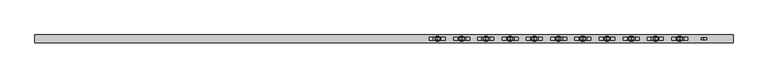
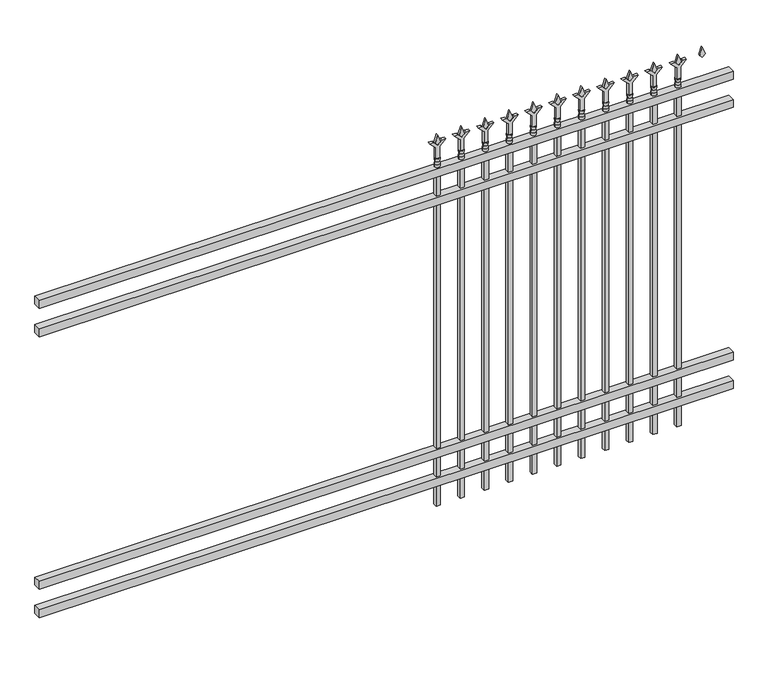
"""IFC4 building model written with IfcOpenShell, lengths in millimetres: railing geometry."""

from ifc_helpers import new_model, si_unit, frame, origin, place, context, project, spatial, polyline, circle_curve, outline, extrude, source, transform, mapped, element, save
from ifc_brep_helpers import plane_surface, cylinder_surface, revolved_surface, advanced_brep


def railing_22d15fbc(model_context):
    return source(origin(), model_context, "Body", "SolidModel", [
        extrude(outline(polyline([(-67441.318087, -6748.7195174), (-67441.318087, -6713.7945174), (-64291.718087, -6713.7945174), (-64291.718087, -6748.7195174), (-67441.318087, -6748.7195174)])), frame((0.0, 0.0, 1638.3), z_axis=(0.0, 0.0, 1.0), x_axis=(1.0, 0.0, 0.0)), (0.0, 0.0, 1.0), 38.1),
        extrude(outline(polyline([(-67441.318087, -6748.7195174), (-67441.318087, -6713.7945174), (-64291.718087, -6713.7945174), (-64291.718087, -6748.7195174), (-67441.318087, -6748.7195174)])), frame((0.0, 0.0, 1501.775), z_axis=(0.0, 0.0, 1.0), x_axis=(1.0, 0.0, 0.0)), (0.0, 0.0, 1.0), 38.1),
        extrude(outline(polyline([(-67441.318087, -6748.7195174), (-67441.318087, -6713.7945174), (-64291.718087, -6713.7945174), (-64291.718087, -6748.7195174), (-67441.318087, -6748.7195174)])), frame((0.0, 0.0, 288.925), z_axis=(0.0, 0.0, 1.0), x_axis=(1.0, 0.0, 0.0)), (0.0, 0.0, 1.0), 38.1),
        extrude(outline(polyline([(-67441.318087, -6748.7195174), (-67441.318087, -6713.7945174), (-64291.718087, -6713.7945174), (-64291.718087, -6748.7195174), (-67441.318087, -6748.7195174)])), frame((0.0, 0.0, 152.4), z_axis=(0.0, 0.0, 1.0), x_axis=(1.0, 0.0, 0.0)), (0.0, 0.0, 1.0), 38.1),
        extrude(outline(polyline([(1793.08125, -64520.8472536), (1828.8, -64532.7535036), (1793.08125, -64544.6597536), (1781.175, -64532.7535036), (1793.08125, -64520.8472536)])), frame((0.0, -6736.0195174, 0.0), z_axis=(0.0, 1.0, 0.0), x_axis=(0.0, 0.0, 1.0)), (0.0, 0.0, 1.0), 9.525),
        extrude(outline(polyline([(1717.675, -64524.0222536), (1771.9457378, -64524.0222536), (1799.1355122, -64496.8324791), (1799.1355122, -64514.7929914), (1781.175, -64532.7535036), (1799.1355122, -64550.7140159), (1799.1355122, -64568.6745281), (1771.9457378, -64541.4847536), (1717.675, -64541.4847536), (1717.675, -64524.0222536)])), frame((0.0, -6737.6070174, 0.0), z_axis=(0.0, 1.0, 0.0), x_axis=(0.0, 0.0, 1.0)), (0.0, 0.0, 1.0), 12.7),
        advanced_brep(
        [(-64520.8472536, -6731.2570174, 1689.1), (-64544.6597536, -6731.2570174, 1689.1), (-64544.6597536, -6731.2570174, 1676.4), (-64520.8472536, -6731.2570174, 1676.4), (-64523.0525855, -6731.2570174, 1701.6070585), (-64542.4544218, -6731.2570174, 1701.6070585), (-64520.8472536, -6731.2570174, 1717.675), (-64544.6597536, -6731.2570174, 1717.675), (-64532.7535036, -6731.2570174, 1717.675), (-64532.7535036, -6731.2570174, 1676.4)],
        [
            (0, 1, circle_curve(frame((-64532.7535036, -6731.2570174, 1689.1), z_axis=(0.0, 0.0, -1.0), x_axis=(-1.0, 0.0, 0.0)), 11.90625)),
            (1, 2),
            (2, 3, circle_curve(frame((-64532.7535036, -6731.2570174, 1676.4), z_axis=(0.0, 0.0, 1.0), x_axis=(-1.0, 0.0, 0.0)), 11.90625)),
            (3, 0),
            (1, 0, circle_curve(frame((-64532.7535036, -6731.2570174, 1689.1), z_axis=(0.0, 0.0, -1.0), x_axis=(-1.0, 0.0, 0.0)), 11.90625)),
            (3, 2, circle_curve(frame((-64532.7535036, -6731.2570174, 1676.4), z_axis=(0.0, 0.0, 1.0), x_axis=(-1.0, 0.0, 0.0)), 11.90625)),
            (4, 5, circle_curve(frame((-64532.7535036, -6731.2570174, 1701.6070585), z_axis=(0.0, 0.0, -1.0), x_axis=(-1.0, 0.0, 0.0)), 9.7009181)),
            (5, 1),
            (0, 4),
            (5, 4, circle_curve(frame((-64532.7535036, -6731.2570174, 1701.6070585), z_axis=(0.0, 0.0, -1.0), x_axis=(-1.0, 0.0, 0.0)), 9.7009181)),
            (6, 7, circle_curve(frame((-64532.7535036, -6731.2570174, 1717.675), z_axis=(0.0, 0.0, -1.0), x_axis=(-1.0, 0.0, 0.0)), 11.90625)),
            (7, 5),
            (4, 6),
            (7, 6, circle_curve(frame((-64532.7535036, -6731.2570174, 1717.675), z_axis=(0.0, 0.0, -1.0), x_axis=(-1.0, 0.0, 0.0)), 11.90625)),
            (8, 7),
            (6, 8),
            (2, 9),
            (9, 3),
        ],
        [
            cylinder_surface(frame((-64532.7535036, -6731.2570174, 1676.4), z_axis=(0.0, 0.0, 1.0), x_axis=(-1.0, 0.0, 0.0)), 11.90625),
            revolved_surface(polyline([(-64544.6597536, -6731.2570174, 1689.1), (-64542.4544218, -6731.2570174, 1701.6070585)]), (-64532.7535036, -6731.2570174, 1676.4), (0.0, 0.0, 1.0)),
            revolved_surface(polyline([(-64542.4544218, -6731.2570174, 1701.6070585), (-64544.6597536, -6731.2570174, 1717.675)]), (-64532.7535036, -6731.2570174, 1676.4), (0.0, 0.0, 1.0)),
            plane_surface(frame((-64532.7535036, -6731.2570174, 1717.675), z_axis=(0.0, 0.0, 1.0), x_axis=(-1.0, 0.0, 0.0))),
            plane_surface(frame((-64532.7535036, -6731.2570174, 1676.4), z_axis=(0.0, 0.0, -1.0), x_axis=(-1.0, 0.0, 0.0))),
        ],
        [
            (0, [[1, 2, 3, 4]]),
            (0, [[5, -4, 6, -2]]),
            (1, [[7, 8, -1, 9]]),
            (1, [[10, -9, -5, -8]]),
            (2, [[11, 12, -7, 13]]),
            (2, [[14, -13, -10, -12]]),
            (3, [[15, -11, 16]]),
            (3, [[-16, -14, -15]]),
            (4, [[-3, 17, 18]]),
            (4, [[-6, -18, -17]]),
        ],
    ),
        extrude(outline(polyline([(-64542.2785036, -6721.7320174), (-64523.2285036, -6721.7320174), (-64523.2285036, -6740.7820174), (-64542.2785036, -6740.7820174), (-64542.2785036, -6721.7320174)])), frame((0.0, 0.0, 50.8), z_axis=(0.0, 0.0, 1.0), x_axis=(1.0, 0.0, 0.0)), (0.0, 0.0, 1.0), 1625.6),
        extrude(outline(polyline([(1793.08125, -64630.1201703), (1828.8, -64642.0264203), (1793.08125, -64653.9326703), (1781.175, -64642.0264203), (1793.08125, -64630.1201703)])), frame((0.0, -6736.0195174, 0.0), z_axis=(0.0, 1.0, 0.0), x_axis=(0.0, 0.0, 1.0)), (0.0, 0.0, 1.0), 9.525),
        extrude(outline(polyline([(1717.675, -64633.2951703), (1771.9457378, -64633.2951703), (1799.1355122, -64606.1053958), (1799.1355122, -64624.0659081), (1781.175, -64642.0264203), (1799.1355122, -64659.9869325), (1799.1355122, -64677.9474448), (1771.9457378, -64650.7576703), (1717.675, -64650.7576703), (1717.675, -64633.2951703)])), frame((0.0, -6737.6070174, 0.0), z_axis=(0.0, 1.0, 0.0), x_axis=(0.0, 0.0, 1.0)), (0.0, 0.0, 1.0), 12.7),
        advanced_brep(
        [(-64630.1201703, -6731.2570174, 1689.1), (-64653.9326703, -6731.2570174, 1689.1), (-64653.9326703, -6731.2570174, 1676.4), (-64630.1201703, -6731.2570174, 1676.4), (-64632.3255022, -6731.2570174, 1701.6070585), (-64651.7273384, -6731.2570174, 1701.6070585), (-64630.1201703, -6731.2570174, 1717.675), (-64653.9326703, -6731.2570174, 1717.675), (-64642.0264203, -6731.2570174, 1717.675), (-64642.0264203, -6731.2570174, 1676.4)],
        [
            (0, 1, circle_curve(frame((-64642.0264203, -6731.2570174, 1689.1), z_axis=(0.0, 0.0, -1.0), x_axis=(-1.0, 0.0, 0.0)), 11.90625)),
            (1, 2),
            (2, 3, circle_curve(frame((-64642.0264203, -6731.2570174, 1676.4), z_axis=(0.0, 0.0, 1.0), x_axis=(-1.0, 0.0, 0.0)), 11.90625)),
            (3, 0),
            (1, 0, circle_curve(frame((-64642.0264203, -6731.2570174, 1689.1), z_axis=(0.0, 0.0, -1.0), x_axis=(-1.0, 0.0, 0.0)), 11.90625)),
            (3, 2, circle_curve(frame((-64642.0264203, -6731.2570174, 1676.4), z_axis=(0.0, 0.0, 1.0), x_axis=(-1.0, 0.0, 0.0)), 11.90625)),
            (4, 5, circle_curve(frame((-64642.0264203, -6731.2570174, 1701.6070585), z_axis=(0.0, 0.0, -1.0), x_axis=(-1.0, 0.0, 0.0)), 9.7009181)),
            (5, 1),
            (0, 4),
            (5, 4, circle_curve(frame((-64642.0264203, -6731.2570174, 1701.6070585), z_axis=(0.0, 0.0, -1.0), x_axis=(-1.0, 0.0, 0.0)), 9.7009181)),
            (6, 7, circle_curve(frame((-64642.0264203, -6731.2570174, 1717.675), z_axis=(0.0, 0.0, -1.0), x_axis=(-1.0, 0.0, 0.0)), 11.90625)),
            (7, 5),
            (4, 6),
            (7, 6, circle_curve(frame((-64642.0264203, -6731.2570174, 1717.675), z_axis=(0.0, 0.0, -1.0), x_axis=(-1.0, 0.0, 0.0)), 11.90625)),
            (8, 7),
            (6, 8),
            (2, 9),
            (9, 3),
        ],
        [
            cylinder_surface(frame((-64642.0264203, -6731.2570174, 1676.4), z_axis=(0.0, 0.0, 1.0), x_axis=(-1.0, 0.0, 0.0)), 11.90625),
            revolved_surface(polyline([(-64653.9326703, -6731.2570174, 1689.1), (-64651.7273384, -6731.2570174, 1701.6070585)]), (-64642.0264203, -6731.2570174, 1676.4), (0.0, 0.0, 1.0)),
            revolved_surface(polyline([(-64651.7273384, -6731.2570174, 1701.6070585), (-64653.9326703, -6731.2570174, 1717.675)]), (-64642.0264203, -6731.2570174, 1676.4), (0.0, 0.0, 1.0)),
            plane_surface(frame((-64642.0264203, -6731.2570174, 1717.675), z_axis=(0.0, 0.0, 1.0), x_axis=(-1.0, 0.0, 0.0))),
            plane_surface(frame((-64642.0264203, -6731.2570174, 1676.4), z_axis=(0.0, 0.0, -1.0), x_axis=(-1.0, 0.0, 0.0))),
        ],
        [
            (0, [[1, 2, 3, 4]]),
            (0, [[5, -4, 6, -2]]),
            (1, [[7, 8, -1, 9]]),
            (1, [[10, -9, -5, -8]]),
            (2, [[11, 12, -7, 13]]),
            (2, [[14, -13, -10, -12]]),
            (3, [[15, -11, 16]]),
            (3, [[-16, -14, -15]]),
            (4, [[-3, 17, 18]]),
            (4, [[-6, -18, -17]]),
        ],
    ),
        extrude(outline(polyline([(-64651.5514203, -6721.7320174), (-64632.5014203, -6721.7320174), (-64632.5014203, -6740.7820174), (-64651.5514203, -6740.7820174), (-64651.5514203, -6721.7320174)])), frame((0.0, 0.0, 50.8), z_axis=(0.0, 0.0, 1.0), x_axis=(1.0, 0.0, 0.0)), (0.0, 0.0, 1.0), 1625.6),
        extrude(outline(polyline([(1793.08125, -64739.393087), (1828.8, -64751.299337), (1793.08125, -64763.205587), (1781.175, -64751.299337), (1793.08125, -64739.393087)])), frame((0.0, -6736.0195174, 0.0), z_axis=(0.0, 1.0, 0.0), x_axis=(0.0, 0.0, 1.0)), (0.0, 0.0, 1.0), 9.525),
        extrude(outline(polyline([(1717.675, -64742.568087), (1771.9457378, -64742.568087), (1799.1355122, -64715.3783125), (1799.1355122, -64733.3388247), (1781.175, -64751.299337), (1799.1355122, -64769.2598492), (1799.1355122, -64787.2203614), (1771.9457378, -64760.030587), (1717.675, -64760.030587), (1717.675, -64742.568087)])), frame((0.0, -6737.6070174, 0.0), z_axis=(0.0, 1.0, 0.0), x_axis=(0.0, 0.0, 1.0)), (0.0, 0.0, 1.0), 12.7),
        advanced_brep(
        [(-64739.393087, -6731.2570174, 1689.1), (-64763.205587, -6731.2570174, 1689.1), (-64763.205587, -6731.2570174, 1676.4), (-64739.393087, -6731.2570174, 1676.4), (-64741.5984188, -6731.2570174, 1701.6070585), (-64761.0002551, -6731.2570174, 1701.6070585), (-64739.393087, -6731.2570174, 1717.675), (-64763.205587, -6731.2570174, 1717.675), (-64751.299337, -6731.2570174, 1717.675), (-64751.299337, -6731.2570174, 1676.4)],
        [
            (0, 1, circle_curve(frame((-64751.299337, -6731.2570174, 1689.1), z_axis=(0.0, 0.0, -1.0), x_axis=(-1.0, 0.0, 0.0)), 11.90625)),
            (1, 2),
            (2, 3, circle_curve(frame((-64751.299337, -6731.2570174, 1676.4), z_axis=(0.0, 0.0, 1.0), x_axis=(-1.0, 0.0, 0.0)), 11.90625)),
            (3, 0),
            (1, 0, circle_curve(frame((-64751.299337, -6731.2570174, 1689.1), z_axis=(0.0, 0.0, -1.0), x_axis=(-1.0, 0.0, 0.0)), 11.90625)),
            (3, 2, circle_curve(frame((-64751.299337, -6731.2570174, 1676.4), z_axis=(0.0, 0.0, 1.0), x_axis=(-1.0, 0.0, 0.0)), 11.90625)),
            (4, 5, circle_curve(frame((-64751.299337, -6731.2570174, 1701.6070585), z_axis=(0.0, 0.0, -1.0), x_axis=(-1.0, 0.0, 0.0)), 9.7009181)),
            (5, 1),
            (0, 4),
            (5, 4, circle_curve(frame((-64751.299337, -6731.2570174, 1701.6070585), z_axis=(0.0, 0.0, -1.0), x_axis=(-1.0, 0.0, 0.0)), 9.7009181)),
            (6, 7, circle_curve(frame((-64751.299337, -6731.2570174, 1717.675), z_axis=(0.0, 0.0, -1.0), x_axis=(-1.0, 0.0, 0.0)), 11.90625)),
            (7, 5),
            (4, 6),
            (7, 6, circle_curve(frame((-64751.299337, -6731.2570174, 1717.675), z_axis=(0.0, 0.0, -1.0), x_axis=(-1.0, 0.0, 0.0)), 11.90625)),
            (8, 7),
            (6, 8),
            (2, 9),
            (9, 3),
        ],
        [
            cylinder_surface(frame((-64751.299337, -6731.2570174, 1676.4), z_axis=(0.0, 0.0, 1.0), x_axis=(-1.0, 0.0, 0.0)), 11.90625),
            revolved_surface(polyline([(-64763.205587, -6731.2570174, 1689.1), (-64761.0002551, -6731.2570174, 1701.6070585)]), (-64751.299337, -6731.2570174, 1676.4), (0.0, 0.0, 1.0)),
            revolved_surface(polyline([(-64761.0002551, -6731.2570174, 1701.6070585), (-64763.205587, -6731.2570174, 1717.675)]), (-64751.299337, -6731.2570174, 1676.4), (0.0, 0.0, 1.0)),
            plane_surface(frame((-64751.299337, -6731.2570174, 1717.675), z_axis=(0.0, 0.0, 1.0), x_axis=(-1.0, 0.0, 0.0))),
            plane_surface(frame((-64751.299337, -6731.2570174, 1676.4), z_axis=(0.0, 0.0, -1.0), x_axis=(-1.0, 0.0, 0.0))),
        ],
        [
            (0, [[1, 2, 3, 4]]),
            (0, [[5, -4, 6, -2]]),
            (1, [[7, 8, -1, 9]]),
            (1, [[10, -9, -5, -8]]),
            (2, [[11, 12, -7, 13]]),
            (2, [[14, -13, -10, -12]]),
            (3, [[15, -11, 16]]),
            (3, [[-16, -14, -15]]),
            (4, [[-3, 17, 18]]),
            (4, [[-6, -18, -17]]),
        ],
    ),
        extrude(outline(polyline([(-64760.824337, -6721.7320174), (-64741.774337, -6721.7320174), (-64741.774337, -6740.7820174), (-64760.824337, -6740.7820174), (-64760.824337, -6721.7320174)])), frame((0.0, 0.0, 50.8), z_axis=(0.0, 0.0, 1.0), x_axis=(1.0, 0.0, 0.0)), (0.0, 0.0, 1.0), 1625.6),
        extrude(outline(polyline([(1793.08125, -64848.6660036), (1828.8, -64860.5722536), (1793.08125, -64872.4785036), (1781.175, -64860.5722536), (1793.08125, -64848.6660036)])), frame((0.0, -6736.0195174, 0.0), z_axis=(0.0, 1.0, 0.0), x_axis=(0.0, 0.0, 1.0)), (0.0, 0.0, 1.0), 9.525),
        extrude(outline(polyline([(1717.675, -64851.8410036), (1771.9457378, -64851.8410036), (1799.1355122, -64824.6512291), (1799.1355122, -64842.6117414), (1781.175, -64860.5722536), (1799.1355122, -64878.5327659), (1799.1355122, -64896.4932781), (1771.9457378, -64869.3035036), (1717.675, -64869.3035036), (1717.675, -64851.8410036)])), frame((0.0, -6737.6070174, 0.0), z_axis=(0.0, 1.0, 0.0), x_axis=(0.0, 0.0, 1.0)), (0.0, 0.0, 1.0), 12.7),
        advanced_brep(
        [(-64848.6660036, -6731.2570174, 1689.1), (-64872.4785036, -6731.2570174, 1689.1), (-64872.4785036, -6731.2570174, 1676.4), (-64848.6660036, -6731.2570174, 1676.4), (-64850.8713355, -6731.2570174, 1701.6070585), (-64870.2731718, -6731.2570174, 1701.6070585), (-64848.6660036, -6731.2570174, 1717.675), (-64872.4785036, -6731.2570174, 1717.675), (-64860.5722536, -6731.2570174, 1717.675), (-64860.5722536, -6731.2570174, 1676.4)],
        [
            (0, 1, circle_curve(frame((-64860.5722536, -6731.2570174, 1689.1), z_axis=(0.0, 0.0, -1.0), x_axis=(-1.0, 0.0, 0.0)), 11.90625)),
            (1, 2),
            (2, 3, circle_curve(frame((-64860.5722536, -6731.2570174, 1676.4), z_axis=(0.0, 0.0, 1.0), x_axis=(-1.0, 0.0, 0.0)), 11.90625)),
            (3, 0),
            (1, 0, circle_curve(frame((-64860.5722536, -6731.2570174, 1689.1), z_axis=(0.0, 0.0, -1.0), x_axis=(-1.0, 0.0, 0.0)), 11.90625)),
            (3, 2, circle_curve(frame((-64860.5722536, -6731.2570174, 1676.4), z_axis=(0.0, 0.0, 1.0), x_axis=(-1.0, 0.0, 0.0)), 11.90625)),
            (4, 5, circle_curve(frame((-64860.5722536, -6731.2570174, 1701.6070585), z_axis=(0.0, 0.0, -1.0), x_axis=(-1.0, 0.0, 0.0)), 9.7009181)),
            (5, 1),
            (0, 4),
            (5, 4, circle_curve(frame((-64860.5722536, -6731.2570174, 1701.6070585), z_axis=(0.0, 0.0, -1.0), x_axis=(-1.0, 0.0, 0.0)), 9.7009181)),
            (6, 7, circle_curve(frame((-64860.5722536, -6731.2570174, 1717.675), z_axis=(0.0, 0.0, -1.0), x_axis=(-1.0, 0.0, 0.0)), 11.90625)),
            (7, 5),
            (4, 6),
            (7, 6, circle_curve(frame((-64860.5722536, -6731.2570174, 1717.675), z_axis=(0.0, 0.0, -1.0), x_axis=(-1.0, 0.0, 0.0)), 11.90625)),
            (8, 7),
            (6, 8),
            (2, 9),
            (9, 3),
        ],
        [
            cylinder_surface(frame((-64860.5722536, -6731.2570174, 1676.4), z_axis=(0.0, 0.0, 1.0), x_axis=(-1.0, 0.0, 0.0)), 11.90625),
            revolved_surface(polyline([(-64872.4785036, -6731.2570174, 1689.1), (-64870.2731718, -6731.2570174, 1701.6070585)]), (-64860.5722536, -6731.2570174, 1676.4), (0.0, 0.0, 1.0)),
            revolved_surface(polyline([(-64870.2731718, -6731.2570174, 1701.6070585), (-64872.4785036, -6731.2570174, 1717.675)]), (-64860.5722536, -6731.2570174, 1676.4), (0.0, 0.0, 1.0)),
            plane_surface(frame((-64860.5722536, -6731.2570174, 1717.675), z_axis=(0.0, 0.0, 1.0), x_axis=(-1.0, 0.0, 0.0))),
            plane_surface(frame((-64860.5722536, -6731.2570174, 1676.4), z_axis=(0.0, 0.0, -1.0), x_axis=(-1.0, 0.0, 0.0))),
        ],
        [
            (0, [[1, 2, 3, 4]]),
            (0, [[5, -4, 6, -2]]),
            (1, [[7, 8, -1, 9]]),
            (1, [[10, -9, -5, -8]]),
            (2, [[11, 12, -7, 13]]),
            (2, [[14, -13, -10, -12]]),
            (3, [[15, -11, 16]]),
            (3, [[-16, -14, -15]]),
            (4, [[-3, 17, 18]]),
            (4, [[-6, -18, -17]]),
        ],
    ),
        extrude(outline(polyline([(-64870.0972536, -6721.7320174), (-64851.0472536, -6721.7320174), (-64851.0472536, -6740.7820174), (-64870.0972536, -6740.7820174), (-64870.0972536, -6721.7320174)])), frame((0.0, 0.0, 50.8), z_axis=(0.0, 0.0, 1.0), x_axis=(1.0, 0.0, 0.0)), (0.0, 0.0, 1.0), 1625.6),
        extrude(outline(polyline([(1793.08125, -64957.9389203), (1828.8, -64969.8451703), (1793.08125, -64981.7514203), (1781.175, -64969.8451703), (1793.08125, -64957.9389203)])), frame((0.0, -6736.0195174, 0.0), z_axis=(0.0, 1.0, 0.0), x_axis=(0.0, 0.0, 1.0)), (0.0, 0.0, 1.0), 9.525),
        extrude(outline(polyline([(1717.675, -64961.1139203), (1771.9457378, -64961.1139203), (1799.1355122, -64933.9241458), (1799.1355122, -64951.8846581), (1781.175, -64969.8451703), (1799.1355122, -64987.8056825), (1799.1355122, -65005.7661948), (1771.9457378, -64978.5764203), (1717.675, -64978.5764203), (1717.675, -64961.1139203)])), frame((0.0, -6737.6070174, 0.0), z_axis=(0.0, 1.0, 0.0), x_axis=(0.0, 0.0, 1.0)), (0.0, 0.0, 1.0), 12.7),
        advanced_brep(
        [(-64957.9389203, -6731.2570174, 1689.1), (-64981.7514203, -6731.2570174, 1689.1), (-64981.7514203, -6731.2570174, 1676.4), (-64957.9389203, -6731.2570174, 1676.4), (-64960.1442522, -6731.2570174, 1701.6070585), (-64979.5460884, -6731.2570174, 1701.6070585), (-64957.9389203, -6731.2570174, 1717.675), (-64981.7514203, -6731.2570174, 1717.675), (-64969.8451703, -6731.2570174, 1717.675), (-64969.8451703, -6731.2570174, 1676.4)],
        [
            (0, 1, circle_curve(frame((-64969.8451703, -6731.2570174, 1689.1), z_axis=(0.0, 0.0, -1.0), x_axis=(-1.0, 0.0, 0.0)), 11.90625)),
            (1, 2),
            (2, 3, circle_curve(frame((-64969.8451703, -6731.2570174, 1676.4), z_axis=(0.0, 0.0, 1.0), x_axis=(-1.0, 0.0, 0.0)), 11.90625)),
            (3, 0),
            (1, 0, circle_curve(frame((-64969.8451703, -6731.2570174, 1689.1), z_axis=(0.0, 0.0, -1.0), x_axis=(-1.0, 0.0, 0.0)), 11.90625)),
            (3, 2, circle_curve(frame((-64969.8451703, -6731.2570174, 1676.4), z_axis=(0.0, 0.0, 1.0), x_axis=(-1.0, 0.0, 0.0)), 11.90625)),
            (4, 5, circle_curve(frame((-64969.8451703, -6731.2570174, 1701.6070585), z_axis=(0.0, 0.0, -1.0), x_axis=(-1.0, 0.0, 0.0)), 9.7009181)),
            (5, 1),
            (0, 4),
            (5, 4, circle_curve(frame((-64969.8451703, -6731.2570174, 1701.6070585), z_axis=(0.0, 0.0, -1.0), x_axis=(-1.0, 0.0, 0.0)), 9.7009181)),
            (6, 7, circle_curve(frame((-64969.8451703, -6731.2570174, 1717.675), z_axis=(0.0, 0.0, -1.0), x_axis=(-1.0, 0.0, 0.0)), 11.90625)),
            (7, 5),
            (4, 6),
            (7, 6, circle_curve(frame((-64969.8451703, -6731.2570174, 1717.675), z_axis=(0.0, 0.0, -1.0), x_axis=(-1.0, 0.0, 0.0)), 11.90625)),
            (8, 7),
            (6, 8),
            (2, 9),
            (9, 3),
        ],
        [
            cylinder_surface(frame((-64969.8451703, -6731.2570174, 1676.4), z_axis=(0.0, 0.0, 1.0), x_axis=(-1.0, 0.0, 0.0)), 11.90625),
            revolved_surface(polyline([(-64981.7514203, -6731.2570174, 1689.1), (-64979.5460884, -6731.2570174, 1701.6070585)]), (-64969.8451703, -6731.2570174, 1676.4), (0.0, 0.0, 1.0)),
            revolved_surface(polyline([(-64979.5460884, -6731.2570174, 1701.6070585), (-64981.7514203, -6731.2570174, 1717.675)]), (-64969.8451703, -6731.2570174, 1676.4), (0.0, 0.0, 1.0)),
            plane_surface(frame((-64969.8451703, -6731.2570174, 1717.675), z_axis=(0.0, 0.0, 1.0), x_axis=(-1.0, 0.0, 0.0))),
            plane_surface(frame((-64969.8451703, -6731.2570174, 1676.4), z_axis=(0.0, 0.0, -1.0), x_axis=(-1.0, 0.0, 0.0))),
        ],
        [
            (0, [[1, 2, 3, 4]]),
            (0, [[5, -4, 6, -2]]),
            (1, [[7, 8, -1, 9]]),
            (1, [[10, -9, -5, -8]]),
            (2, [[11, 12, -7, 13]]),
            (2, [[14, -13, -10, -12]]),
            (3, [[15, -11, 16]]),
            (3, [[-16, -14, -15]]),
            (4, [[-3, 17, 18]]),
            (4, [[-6, -18, -17]]),
        ],
    ),
        extrude(outline(polyline([(-64979.3701703, -6721.7320174), (-64960.3201703, -6721.7320174), (-64960.3201703, -6740.7820174), (-64979.3701703, -6740.7820174), (-64979.3701703, -6721.7320174)])), frame((0.0, 0.0, 50.8), z_axis=(0.0, 0.0, 1.0), x_axis=(1.0, 0.0, 0.0)), (0.0, 0.0, 1.0), 1625.6),
        extrude(outline(polyline([(1793.08125, -65067.211837), (1828.8, -65079.118087), (1793.08125, -65091.024337), (1781.175, -65079.118087), (1793.08125, -65067.211837)])), frame((0.0, -6736.0195174, 0.0), z_axis=(0.0, 1.0, 0.0), x_axis=(0.0, 0.0, 1.0)), (0.0, 0.0, 1.0), 9.525),
        extrude(outline(polyline([(1717.675, -65070.386837), (1771.9457378, -65070.386837), (1799.1355122, -65043.1970625), (1799.1355122, -65061.1575747), (1781.175, -65079.118087), (1799.1355122, -65097.0785992), (1799.1355122, -65115.0391114), (1771.9457378, -65087.849337), (1717.675, -65087.849337), (1717.675, -65070.386837)])), frame((0.0, -6737.6070174, 0.0), z_axis=(0.0, 1.0, 0.0), x_axis=(0.0, 0.0, 1.0)), (0.0, 0.0, 1.0), 12.7),
        advanced_brep(
        [(-65067.211837, -6731.2570174, 1689.1), (-65091.024337, -6731.2570174, 1689.1), (-65091.024337, -6731.2570174, 1676.4), (-65067.211837, -6731.2570174, 1676.4), (-65069.4171688, -6731.2570174, 1701.6070585), (-65088.8190051, -6731.2570174, 1701.6070585), (-65067.211837, -6731.2570174, 1717.675), (-65091.024337, -6731.2570174, 1717.675), (-65079.118087, -6731.2570174, 1717.675), (-65079.118087, -6731.2570174, 1676.4)],
        [
            (0, 1, circle_curve(frame((-65079.118087, -6731.2570174, 1689.1), z_axis=(0.0, 0.0, -1.0), x_axis=(-1.0, 0.0, 0.0)), 11.90625)),
            (1, 2),
            (2, 3, circle_curve(frame((-65079.118087, -6731.2570174, 1676.4), z_axis=(0.0, 0.0, 1.0), x_axis=(-1.0, 0.0, 0.0)), 11.90625)),
            (3, 0),
            (1, 0, circle_curve(frame((-65079.118087, -6731.2570174, 1689.1), z_axis=(0.0, 0.0, -1.0), x_axis=(-1.0, 0.0, 0.0)), 11.90625)),
            (3, 2, circle_curve(frame((-65079.118087, -6731.2570174, 1676.4), z_axis=(0.0, 0.0, 1.0), x_axis=(-1.0, 0.0, 0.0)), 11.90625)),
            (4, 5, circle_curve(frame((-65079.118087, -6731.2570174, 1701.6070585), z_axis=(0.0, 0.0, -1.0), x_axis=(-1.0, 0.0, 0.0)), 9.7009181)),
            (5, 1),
            (0, 4),
            (5, 4, circle_curve(frame((-65079.118087, -6731.2570174, 1701.6070585), z_axis=(0.0, 0.0, -1.0), x_axis=(-1.0, 0.0, 0.0)), 9.7009181)),
            (6, 7, circle_curve(frame((-65079.118087, -6731.2570174, 1717.675), z_axis=(0.0, 0.0, -1.0), x_axis=(-1.0, 0.0, 0.0)), 11.90625)),
            (7, 5),
            (4, 6),
            (7, 6, circle_curve(frame((-65079.118087, -6731.2570174, 1717.675), z_axis=(0.0, 0.0, -1.0), x_axis=(-1.0, 0.0, 0.0)), 11.90625)),
            (8, 7),
            (6, 8),
            (2, 9),
            (9, 3),
        ],
        [
            cylinder_surface(frame((-65079.118087, -6731.2570174, 1676.4), z_axis=(0.0, 0.0, 1.0), x_axis=(-1.0, 0.0, 0.0)), 11.90625),
            revolved_surface(polyline([(-65091.024337, -6731.2570174, 1689.1), (-65088.8190051, -6731.2570174, 1701.6070585)]), (-65079.118087, -6731.2570174, 1676.4), (0.0, 0.0, 1.0)),
            revolved_surface(polyline([(-65088.8190051, -6731.2570174, 1701.6070585), (-65091.024337, -6731.2570174, 1717.675)]), (-65079.118087, -6731.2570174, 1676.4), (0.0, 0.0, 1.0)),
            plane_surface(frame((-65079.118087, -6731.2570174, 1717.675), z_axis=(0.0, 0.0, 1.0), x_axis=(-1.0, 0.0, 0.0))),
            plane_surface(frame((-65079.118087, -6731.2570174, 1676.4), z_axis=(0.0, 0.0, -1.0), x_axis=(-1.0, 0.0, 0.0))),
        ],
        [
            (0, [[1, 2, 3, 4]]),
            (0, [[5, -4, 6, -2]]),
            (1, [[7, 8, -1, 9]]),
            (1, [[10, -9, -5, -8]]),
            (2, [[11, 12, -7, 13]]),
            (2, [[14, -13, -10, -12]]),
            (3, [[15, -11, 16]]),
            (3, [[-16, -14, -15]]),
            (4, [[-3, 17, 18]]),
            (4, [[-6, -18, -17]]),
        ],
    ),
        extrude(outline(polyline([(-65088.643087, -6721.7320174), (-65069.593087, -6721.7320174), (-65069.593087, -6740.7820174), (-65088.643087, -6740.7820174), (-65088.643087, -6721.7320174)])), frame((0.0, 0.0, 50.8), z_axis=(0.0, 0.0, 1.0), x_axis=(1.0, 0.0, 0.0)), (0.0, 0.0, 1.0), 1625.6),
        extrude(outline(polyline([(1793.08125, -65176.4847536), (1828.8, -65188.3910036), (1793.08125, -65200.2972536), (1781.175, -65188.3910036), (1793.08125, -65176.4847536)])), frame((0.0, -6736.0195174, 0.0), z_axis=(0.0, 1.0, 0.0), x_axis=(0.0, 0.0, 1.0)), (0.0, 0.0, 1.0), 9.525),
        extrude(outline(polyline([(1717.675, -65179.6597536), (1771.9457378, -65179.6597536), (1799.1355122, -65152.4699791), (1799.1355122, -65170.4304914), (1781.175, -65188.3910036), (1799.1355122, -65206.3515159), (1799.1355122, -65224.3120281), (1771.9457378, -65197.1222536), (1717.675, -65197.1222536), (1717.675, -65179.6597536)])), frame((0.0, -6737.6070174, 0.0), z_axis=(0.0, 1.0, 0.0), x_axis=(0.0, 0.0, 1.0)), (0.0, 0.0, 1.0), 12.7),
        advanced_brep(
        [(-65176.4847536, -6731.2570174, 1689.1), (-65200.2972536, -6731.2570174, 1689.1), (-65200.2972536, -6731.2570174, 1676.4), (-65176.4847536, -6731.2570174, 1676.4), (-65178.6900855, -6731.2570174, 1701.6070585), (-65198.0919218, -6731.2570174, 1701.6070585), (-65176.4847536, -6731.2570174, 1717.675), (-65200.2972536, -6731.2570174, 1717.675), (-65188.3910036, -6731.2570174, 1717.675), (-65188.3910036, -6731.2570174, 1676.4)],
        [
            (0, 1, circle_curve(frame((-65188.3910036, -6731.2570174, 1689.1), z_axis=(0.0, 0.0, -1.0), x_axis=(-1.0, 0.0, 0.0)), 11.90625)),
            (1, 2),
            (2, 3, circle_curve(frame((-65188.3910036, -6731.2570174, 1676.4), z_axis=(0.0, 0.0, 1.0), x_axis=(-1.0, 0.0, 0.0)), 11.90625)),
            (3, 0),
            (1, 0, circle_curve(frame((-65188.3910036, -6731.2570174, 1689.1), z_axis=(0.0, 0.0, -1.0), x_axis=(-1.0, 0.0, 0.0)), 11.90625)),
            (3, 2, circle_curve(frame((-65188.3910036, -6731.2570174, 1676.4), z_axis=(0.0, 0.0, 1.0), x_axis=(-1.0, 0.0, 0.0)), 11.90625)),
            (4, 5, circle_curve(frame((-65188.3910036, -6731.2570174, 1701.6070585), z_axis=(0.0, 0.0, -1.0), x_axis=(-1.0, 0.0, 0.0)), 9.7009181)),
            (5, 1),
            (0, 4),
            (5, 4, circle_curve(frame((-65188.3910036, -6731.2570174, 1701.6070585), z_axis=(0.0, 0.0, -1.0), x_axis=(-1.0, 0.0, 0.0)), 9.7009181)),
            (6, 7, circle_curve(frame((-65188.3910036, -6731.2570174, 1717.675), z_axis=(0.0, 0.0, -1.0), x_axis=(-1.0, 0.0, 0.0)), 11.90625)),
            (7, 5),
            (4, 6),
            (7, 6, circle_curve(frame((-65188.3910036, -6731.2570174, 1717.675), z_axis=(0.0, 0.0, -1.0), x_axis=(-1.0, 0.0, 0.0)), 11.90625)),
            (8, 7),
            (6, 8),
            (2, 9),
            (9, 3),
        ],
        [
            cylinder_surface(frame((-65188.3910036, -6731.2570174, 1676.4), z_axis=(0.0, 0.0, 1.0), x_axis=(-1.0, 0.0, 0.0)), 11.90625),
            revolved_surface(polyline([(-65200.2972536, -6731.2570174, 1689.1), (-65198.0919218, -6731.2570174, 1701.6070585)]), (-65188.3910036, -6731.2570174, 1676.4), (0.0, 0.0, 1.0)),
            revolved_surface(polyline([(-65198.0919218, -6731.2570174, 1701.6070585), (-65200.2972536, -6731.2570174, 1717.675)]), (-65188.3910036, -6731.2570174, 1676.4), (0.0, 0.0, 1.0)),
            plane_surface(frame((-65188.3910036, -6731.2570174, 1717.675), z_axis=(0.0, 0.0, 1.0), x_axis=(-1.0, 0.0, 0.0))),
            plane_surface(frame((-65188.3910036, -6731.2570174, 1676.4), z_axis=(0.0, 0.0, -1.0), x_axis=(-1.0, 0.0, 0.0))),
        ],
        [
            (0, [[1, 2, 3, 4]]),
            (0, [[5, -4, 6, -2]]),
            (1, [[7, 8, -1, 9]]),
            (1, [[10, -9, -5, -8]]),
            (2, [[11, 12, -7, 13]]),
            (2, [[14, -13, -10, -12]]),
            (3, [[15, -11, 16]]),
            (3, [[-16, -14, -15]]),
            (4, [[-3, 17, 18]]),
            (4, [[-6, -18, -17]]),
        ],
    ),
        extrude(outline(polyline([(-65197.9160036, -6721.7320174), (-65178.8660036, -6721.7320174), (-65178.8660036, -6740.7820174), (-65197.9160036, -6740.7820174), (-65197.9160036, -6721.7320174)])), frame((0.0, 0.0, 50.8), z_axis=(0.0, 0.0, 1.0), x_axis=(1.0, 0.0, 0.0)), (0.0, 0.0, 1.0), 1625.6),
        extrude(outline(polyline([(1793.08125, -65285.7576703), (1828.8, -65297.6639203), (1793.08125, -65309.5701703), (1781.175, -65297.6639203), (1793.08125, -65285.7576703)])), frame((0.0, -6736.0195174, 0.0), z_axis=(0.0, 1.0, 0.0), x_axis=(0.0, 0.0, 1.0)), (0.0, 0.0, 1.0), 9.525),
        extrude(outline(polyline([(1717.675, -65288.9326703), (1771.9457378, -65288.9326703), (1799.1355122, -65261.7428958), (1799.1355122, -65279.7034081), (1781.175, -65297.6639203), (1799.1355122, -65315.6244325), (1799.1355122, -65333.5849448), (1771.9457378, -65306.3951703), (1717.675, -65306.3951703), (1717.675, -65288.9326703)])), frame((0.0, -6737.6070174, 0.0), z_axis=(0.0, 1.0, 0.0), x_axis=(0.0, 0.0, 1.0)), (0.0, 0.0, 1.0), 12.7),
        advanced_brep(
        [(-65285.7576703, -6731.2570174, 1689.1), (-65309.5701703, -6731.2570174, 1689.1), (-65309.5701703, -6731.2570174, 1676.4), (-65285.7576703, -6731.2570174, 1676.4), (-65287.9630022, -6731.2570174, 1701.6070585), (-65307.3648384, -6731.2570174, 1701.6070585), (-65285.7576703, -6731.2570174, 1717.675), (-65309.5701703, -6731.2570174, 1717.675), (-65297.6639203, -6731.2570174, 1717.675), (-65297.6639203, -6731.2570174, 1676.4)],
        [
            (0, 1, circle_curve(frame((-65297.6639203, -6731.2570174, 1689.1), z_axis=(0.0, 0.0, -1.0), x_axis=(-1.0, 0.0, 0.0)), 11.90625)),
            (1, 2),
            (2, 3, circle_curve(frame((-65297.6639203, -6731.2570174, 1676.4), z_axis=(0.0, 0.0, 1.0), x_axis=(-1.0, 0.0, 0.0)), 11.90625)),
            (3, 0),
            (1, 0, circle_curve(frame((-65297.6639203, -6731.2570174, 1689.1), z_axis=(0.0, 0.0, -1.0), x_axis=(-1.0, 0.0, 0.0)), 11.90625)),
            (3, 2, circle_curve(frame((-65297.6639203, -6731.2570174, 1676.4), z_axis=(0.0, 0.0, 1.0), x_axis=(-1.0, 0.0, 0.0)), 11.90625)),
            (4, 5, circle_curve(frame((-65297.6639203, -6731.2570174, 1701.6070585), z_axis=(0.0, 0.0, -1.0), x_axis=(-1.0, 0.0, 0.0)), 9.7009181)),
            (5, 1),
            (0, 4),
            (5, 4, circle_curve(frame((-65297.6639203, -6731.2570174, 1701.6070585), z_axis=(0.0, 0.0, -1.0), x_axis=(-1.0, 0.0, 0.0)), 9.7009181)),
            (6, 7, circle_curve(frame((-65297.6639203, -6731.2570174, 1717.675), z_axis=(0.0, 0.0, -1.0), x_axis=(-1.0, 0.0, 0.0)), 11.90625)),
            (7, 5),
            (4, 6),
            (7, 6, circle_curve(frame((-65297.6639203, -6731.2570174, 1717.675), z_axis=(0.0, 0.0, -1.0), x_axis=(-1.0, 0.0, 0.0)), 11.90625)),
            (8, 7),
            (6, 8),
            (2, 9),
            (9, 3),
        ],
        [
            cylinder_surface(frame((-65297.6639203, -6731.2570174, 1676.4), z_axis=(0.0, 0.0, 1.0), x_axis=(-1.0, 0.0, 0.0)), 11.90625),
            revolved_surface(polyline([(-65309.5701703, -6731.2570174, 1689.1), (-65307.3648384, -6731.2570174, 1701.6070585)]), (-65297.6639203, -6731.2570174, 1676.4), (0.0, 0.0, 1.0)),
            revolved_surface(polyline([(-65307.3648384, -6731.2570174, 1701.6070585), (-65309.5701703, -6731.2570174, 1717.675)]), (-65297.6639203, -6731.2570174, 1676.4), (0.0, 0.0, 1.0)),
            plane_surface(frame((-65297.6639203, -6731.2570174, 1717.675), z_axis=(0.0, 0.0, 1.0), x_axis=(-1.0, 0.0, 0.0))),
            plane_surface(frame((-65297.6639203, -6731.2570174, 1676.4), z_axis=(0.0, 0.0, -1.0), x_axis=(-1.0, 0.0, 0.0))),
        ],
        [
            (0, [[1, 2, 3, 4]]),
            (0, [[5, -4, 6, -2]]),
            (1, [[7, 8, -1, 9]]),
            (1, [[10, -9, -5, -8]]),
            (2, [[11, 12, -7, 13]]),
            (2, [[14, -13, -10, -12]]),
            (3, [[15, -11, 16]]),
            (3, [[-16, -14, -15]]),
            (4, [[-3, 17, 18]]),
            (4, [[-6, -18, -17]]),
        ],
    ),
        extrude(outline(polyline([(-65307.1889203, -6721.7320174), (-65288.1389203, -6721.7320174), (-65288.1389203, -6740.7820174), (-65307.1889203, -6740.7820174), (-65307.1889203, -6721.7320174)])), frame((0.0, 0.0, 50.8), z_axis=(0.0, 0.0, 1.0), x_axis=(1.0, 0.0, 0.0)), (0.0, 0.0, 1.0), 1625.6),
        extrude(outline(polyline([(1793.08125, -65395.030587), (1828.8, -65406.936837), (1793.08125, -65418.843087), (1781.175, -65406.936837), (1793.08125, -65395.030587)])), frame((0.0, -6736.0195174, 0.0), z_axis=(0.0, 1.0, 0.0), x_axis=(0.0, 0.0, 1.0)), (0.0, 0.0, 1.0), 9.525),
        extrude(outline(polyline([(1717.675, -65398.205587), (1771.9457378, -65398.205587), (1799.1355122, -65371.0158125), (1799.1355122, -65388.9763247), (1781.175, -65406.936837), (1799.1355122, -65424.8973492), (1799.1355122, -65442.8578614), (1771.9457378, -65415.668087), (1717.675, -65415.668087), (1717.675, -65398.205587)])), frame((0.0, -6737.6070174, 0.0), z_axis=(0.0, 1.0, 0.0), x_axis=(0.0, 0.0, 1.0)), (0.0, 0.0, 1.0), 12.7),
        advanced_brep(
        [(-65395.030587, -6731.2570174, 1689.1), (-65418.843087, -6731.2570174, 1689.1), (-65418.843087, -6731.2570174, 1676.4), (-65395.030587, -6731.2570174, 1676.4), (-65397.2359188, -6731.2570174, 1701.6070585), (-65416.6377551, -6731.2570174, 1701.6070585), (-65395.030587, -6731.2570174, 1717.675), (-65418.843087, -6731.2570174, 1717.675), (-65406.936837, -6731.2570174, 1717.675), (-65406.936837, -6731.2570174, 1676.4)],
        [
            (0, 1, circle_curve(frame((-65406.936837, -6731.2570174, 1689.1), z_axis=(0.0, 0.0, -1.0), x_axis=(-1.0, 0.0, 0.0)), 11.90625)),
            (1, 2),
            (2, 3, circle_curve(frame((-65406.936837, -6731.2570174, 1676.4), z_axis=(0.0, 0.0, 1.0), x_axis=(-1.0, 0.0, 0.0)), 11.90625)),
            (3, 0),
            (1, 0, circle_curve(frame((-65406.936837, -6731.2570174, 1689.1), z_axis=(0.0, 0.0, -1.0), x_axis=(-1.0, 0.0, 0.0)), 11.90625)),
            (3, 2, circle_curve(frame((-65406.936837, -6731.2570174, 1676.4), z_axis=(0.0, 0.0, 1.0), x_axis=(-1.0, 0.0, 0.0)), 11.90625)),
            (4, 5, circle_curve(frame((-65406.936837, -6731.2570174, 1701.6070585), z_axis=(0.0, 0.0, -1.0), x_axis=(-1.0, 0.0, 0.0)), 9.7009181)),
            (5, 1),
            (0, 4),
            (5, 4, circle_curve(frame((-65406.936837, -6731.2570174, 1701.6070585), z_axis=(0.0, 0.0, -1.0), x_axis=(-1.0, 0.0, 0.0)), 9.7009181)),
            (6, 7, circle_curve(frame((-65406.936837, -6731.2570174, 1717.675), z_axis=(0.0, 0.0, -1.0), x_axis=(-1.0, 0.0, 0.0)), 11.90625)),
            (7, 5),
            (4, 6),
            (7, 6, circle_curve(frame((-65406.936837, -6731.2570174, 1717.675), z_axis=(0.0, 0.0, -1.0), x_axis=(-1.0, 0.0, 0.0)), 11.90625)),
            (8, 7),
            (6, 8),
            (2, 9),
            (9, 3),
        ],
        [
            cylinder_surface(frame((-65406.936837, -6731.2570174, 1676.4), z_axis=(0.0, 0.0, 1.0), x_axis=(-1.0, 0.0, 0.0)), 11.90625),
            revolved_surface(polyline([(-65418.843087, -6731.2570174, 1689.1), (-65416.6377551, -6731.2570174, 1701.6070585)]), (-65406.936837, -6731.2570174, 1676.4), (0.0, 0.0, 1.0)),
            revolved_surface(polyline([(-65416.6377551, -6731.2570174, 1701.6070585), (-65418.843087, -6731.2570174, 1717.675)]), (-65406.936837, -6731.2570174, 1676.4), (0.0, 0.0, 1.0)),
            plane_surface(frame((-65406.936837, -6731.2570174, 1717.675), z_axis=(0.0, 0.0, 1.0), x_axis=(-1.0, 0.0, 0.0))),
            plane_surface(frame((-65406.936837, -6731.2570174, 1676.4), z_axis=(0.0, 0.0, -1.0), x_axis=(-1.0, 0.0, 0.0))),
        ],
        [
            (0, [[1, 2, 3, 4]]),
            (0, [[5, -4, 6, -2]]),
            (1, [[7, 8, -1, 9]]),
            (1, [[10, -9, -5, -8]]),
            (2, [[11, 12, -7, 13]]),
            (2, [[14, -13, -10, -12]]),
            (3, [[15, -11, 16]]),
            (3, [[-16, -14, -15]]),
            (4, [[-3, 17, 18]]),
            (4, [[-6, -18, -17]]),
        ],
    ),
        extrude(outline(polyline([(-65416.461837, -6721.7320174), (-65397.411837, -6721.7320174), (-65397.411837, -6740.7820174), (-65416.461837, -6740.7820174), (-65416.461837, -6721.7320174)])), frame((0.0, 0.0, 50.8), z_axis=(0.0, 0.0, 1.0), x_axis=(1.0, 0.0, 0.0)), (0.0, 0.0, 1.0), 1625.6),
        extrude(outline(polyline([(1793.08125, -65504.3035036), (1828.8, -65516.2097536), (1793.08125, -65528.1160036), (1781.175, -65516.2097536), (1793.08125, -65504.3035036)])), frame((0.0, -6736.0195174, 0.0), z_axis=(0.0, 1.0, 0.0), x_axis=(0.0, 0.0, 1.0)), (0.0, 0.0, 1.0), 9.525),
        extrude(outline(polyline([(1717.675, -65507.4785036), (1771.9457378, -65507.4785036), (1799.1355122, -65480.2887291), (1799.1355122, -65498.2492414), (1781.175, -65516.2097536), (1799.1355122, -65534.1702659), (1799.1355122, -65552.1307781), (1771.9457378, -65524.9410036), (1717.675, -65524.9410036), (1717.675, -65507.4785036)])), frame((0.0, -6737.6070174, 0.0), z_axis=(0.0, 1.0, 0.0), x_axis=(0.0, 0.0, 1.0)), (0.0, 0.0, 1.0), 12.7),
        advanced_brep(
        [(-65504.3035036, -6731.2570174, 1689.1), (-65528.1160036, -6731.2570174, 1689.1), (-65528.1160036, -6731.2570174, 1676.4), (-65504.3035036, -6731.2570174, 1676.4), (-65506.5088355, -6731.2570174, 1701.6070585), (-65525.9106718, -6731.2570174, 1701.6070585), (-65504.3035036, -6731.2570174, 1717.675), (-65528.1160036, -6731.2570174, 1717.675), (-65516.2097536, -6731.2570174, 1717.675), (-65516.2097536, -6731.2570174, 1676.4)],
        [
            (0, 1, circle_curve(frame((-65516.2097536, -6731.2570174, 1689.1), z_axis=(0.0, 0.0, -1.0), x_axis=(-1.0, 0.0, 0.0)), 11.90625)),
            (1, 2),
            (2, 3, circle_curve(frame((-65516.2097536, -6731.2570174, 1676.4), z_axis=(0.0, 0.0, 1.0), x_axis=(-1.0, 0.0, 0.0)), 11.90625)),
            (3, 0),
            (1, 0, circle_curve(frame((-65516.2097536, -6731.2570174, 1689.1), z_axis=(0.0, 0.0, -1.0), x_axis=(-1.0, 0.0, 0.0)), 11.90625)),
            (3, 2, circle_curve(frame((-65516.2097536, -6731.2570174, 1676.4), z_axis=(0.0, 0.0, 1.0), x_axis=(-1.0, 0.0, 0.0)), 11.90625)),
            (4, 5, circle_curve(frame((-65516.2097536, -6731.2570174, 1701.6070585), z_axis=(0.0, 0.0, -1.0), x_axis=(-1.0, 0.0, 0.0)), 9.7009181)),
            (5, 1),
            (0, 4),
            (5, 4, circle_curve(frame((-65516.2097536, -6731.2570174, 1701.6070585), z_axis=(0.0, 0.0, -1.0), x_axis=(-1.0, 0.0, 0.0)), 9.7009181)),
            (6, 7, circle_curve(frame((-65516.2097536, -6731.2570174, 1717.675), z_axis=(0.0, 0.0, -1.0), x_axis=(-1.0, 0.0, 0.0)), 11.90625)),
            (7, 5),
            (4, 6),
            (7, 6, circle_curve(frame((-65516.2097536, -6731.2570174, 1717.675), z_axis=(0.0, 0.0, -1.0), x_axis=(-1.0, 0.0, 0.0)), 11.90625)),
            (8, 7),
            (6, 8),
            (2, 9),
            (9, 3),
        ],
        [
            cylinder_surface(frame((-65516.2097536, -6731.2570174, 1676.4), z_axis=(0.0, 0.0, 1.0), x_axis=(-1.0, 0.0, 0.0)), 11.90625),
            revolved_surface(polyline([(-65528.1160036, -6731.2570174, 1689.1), (-65525.9106718, -6731.2570174, 1701.6070585)]), (-65516.2097536, -6731.2570174, 1676.4), (0.0, 0.0, 1.0)),
            revolved_surface(polyline([(-65525.9106718, -6731.2570174, 1701.6070585), (-65528.1160036, -6731.2570174, 1717.675)]), (-65516.2097536, -6731.2570174, 1676.4), (0.0, 0.0, 1.0)),
            plane_surface(frame((-65516.2097536, -6731.2570174, 1717.675), z_axis=(0.0, 0.0, 1.0), x_axis=(-1.0, 0.0, 0.0))),
            plane_surface(frame((-65516.2097536, -6731.2570174, 1676.4), z_axis=(0.0, 0.0, -1.0), x_axis=(-1.0, 0.0, 0.0))),
        ],
        [
            (0, [[1, 2, 3, 4]]),
            (0, [[5, -4, 6, -2]]),
            (1, [[7, 8, -1, 9]]),
            (1, [[10, -9, -5, -8]]),
            (2, [[11, 12, -7, 13]]),
            (2, [[14, -13, -10, -12]]),
            (3, [[15, -11, 16]]),
            (3, [[-16, -14, -15]]),
            (4, [[-3, 17, 18]]),
            (4, [[-6, -18, -17]]),
        ],
    ),
        extrude(outline(polyline([(-65525.7347536, -6721.7320174), (-65506.6847536, -6721.7320174), (-65506.6847536, -6740.7820174), (-65525.7347536, -6740.7820174), (-65525.7347536, -6721.7320174)])), frame((0.0, 0.0, 50.8), z_axis=(0.0, 0.0, 1.0), x_axis=(1.0, 0.0, 0.0)), (0.0, 0.0, 1.0), 1625.6),
        extrude(outline(polyline([(1793.08125, -65613.5764203), (1828.8, -65625.4826703), (1793.08125, -65637.3889203), (1781.175, -65625.4826703), (1793.08125, -65613.5764203)])), frame((0.0, -6736.0195174, 0.0), z_axis=(0.0, 1.0, 0.0), x_axis=(0.0, 0.0, 1.0)), (0.0, 0.0, 1.0), 9.525),
        extrude(outline(polyline([(1717.675, -65616.7514203), (1771.9457378, -65616.7514203), (1799.1355122, -65589.5616458), (1799.1355122, -65607.5221581), (1781.175, -65625.4826703), (1799.1355122, -65643.4431825), (1799.1355122, -65661.4036948), (1771.9457378, -65634.2139203), (1717.675, -65634.2139203), (1717.675, -65616.7514203)])), frame((0.0, -6737.6070174, 0.0), z_axis=(0.0, 1.0, 0.0), x_axis=(0.0, 0.0, 1.0)), (0.0, 0.0, 1.0), 12.7),
        advanced_brep(
        [(-65613.5764203, -6731.2570174, 1689.1), (-65637.3889203, -6731.2570174, 1689.1), (-65637.3889203, -6731.2570174, 1676.4), (-65613.5764203, -6731.2570174, 1676.4), (-65615.7817522, -6731.2570174, 1701.6070585), (-65635.1835884, -6731.2570174, 1701.6070585), (-65613.5764203, -6731.2570174, 1717.675), (-65637.3889203, -6731.2570174, 1717.675), (-65625.4826703, -6731.2570174, 1717.675), (-65625.4826703, -6731.2570174, 1676.4)],
        [
            (0, 1, circle_curve(frame((-65625.4826703, -6731.2570174, 1689.1), z_axis=(0.0, 0.0, -1.0), x_axis=(-1.0, 0.0, 0.0)), 11.90625)),
            (1, 2),
            (2, 3, circle_curve(frame((-65625.4826703, -6731.2570174, 1676.4), z_axis=(0.0, 0.0, 1.0), x_axis=(-1.0, 0.0, 0.0)), 11.90625)),
            (3, 0),
            (1, 0, circle_curve(frame((-65625.4826703, -6731.2570174, 1689.1), z_axis=(0.0, 0.0, -1.0), x_axis=(-1.0, 0.0, 0.0)), 11.90625)),
            (3, 2, circle_curve(frame((-65625.4826703, -6731.2570174, 1676.4), z_axis=(0.0, 0.0, 1.0), x_axis=(-1.0, 0.0, 0.0)), 11.90625)),
            (4, 5, circle_curve(frame((-65625.4826703, -6731.2570174, 1701.6070585), z_axis=(0.0, 0.0, -1.0), x_axis=(-1.0, 0.0, 0.0)), 9.7009181)),
            (5, 1),
            (0, 4),
            (5, 4, circle_curve(frame((-65625.4826703, -6731.2570174, 1701.6070585), z_axis=(0.0, 0.0, -1.0), x_axis=(-1.0, 0.0, 0.0)), 9.7009181)),
            (6, 7, circle_curve(frame((-65625.4826703, -6731.2570174, 1717.675), z_axis=(0.0, 0.0, -1.0), x_axis=(-1.0, 0.0, 0.0)), 11.90625)),
            (7, 5),
            (4, 6),
            (7, 6, circle_curve(frame((-65625.4826703, -6731.2570174, 1717.675), z_axis=(0.0, 0.0, -1.0), x_axis=(-1.0, 0.0, 0.0)), 11.90625)),
            (8, 7),
            (6, 8),
            (2, 9),
            (9, 3),
        ],
        [
            cylinder_surface(frame((-65625.4826703, -6731.2570174, 1676.4), z_axis=(0.0, 0.0, 1.0), x_axis=(-1.0, 0.0, 0.0)), 11.90625),
            revolved_surface(polyline([(-65637.3889203, -6731.2570174, 1689.1), (-65635.1835884, -6731.2570174, 1701.6070585)]), (-65625.4826703, -6731.2570174, 1676.4), (0.0, 0.0, 1.0)),
            revolved_surface(polyline([(-65635.1835884, -6731.2570174, 1701.6070585), (-65637.3889203, -6731.2570174, 1717.675)]), (-65625.4826703, -6731.2570174, 1676.4), (0.0, 0.0, 1.0)),
            plane_surface(frame((-65625.4826703, -6731.2570174, 1717.675), z_axis=(0.0, 0.0, 1.0), x_axis=(-1.0, 0.0, 0.0))),
            plane_surface(frame((-65625.4826703, -6731.2570174, 1676.4), z_axis=(0.0, 0.0, -1.0), x_axis=(-1.0, 0.0, 0.0))),
        ],
        [
            (0, [[1, 2, 3, 4]]),
            (0, [[5, -4, 6, -2]]),
            (1, [[7, 8, -1, 9]]),
            (1, [[10, -9, -5, -8]]),
            (2, [[11, 12, -7, 13]]),
            (2, [[14, -13, -10, -12]]),
            (3, [[15, -11, 16]]),
            (3, [[-16, -14, -15]]),
            (4, [[-3, 17, 18]]),
            (4, [[-6, -18, -17]]),
        ],
    ),
        extrude(outline(polyline([(-65635.0076703, -6721.7320174), (-65615.9576703, -6721.7320174), (-65615.9576703, -6740.7820174), (-65635.0076703, -6740.7820174), (-65635.0076703, -6721.7320174)])), frame((0.0, 0.0, 50.8), z_axis=(0.0, 0.0, 1.0), x_axis=(1.0, 0.0, 0.0)), (0.0, 0.0, 1.0), 1625.6),
        extrude(outline(polyline([(1793.08125, -64411.574337), (1828.8, -64423.480587), (1793.08125, -64435.386837), (1781.175, -64423.480587), (1793.08125, -64411.574337)])), frame((0.0, -6736.0195174, 0.0), z_axis=(0.0, 1.0, 0.0), x_axis=(0.0, 0.0, 1.0)), (0.0, 0.0, 1.0), 9.525),
    ])


if __name__ == "__main__":
    model = new_model("IFC4")
    model_context = context("Model", 3, world=origin())
    ifc_project = project(units=[si_unit("LENGTHUNIT", "METRE", prefix="MILLI")], contexts=[model_context])
    site = spatial("IfcSite", under=ifc_project)
    building = spatial("IfcBuilding", under=site)
    placement = place(None, origin())
    railing_shape = railing_22d15fbc(model_context)
    element("IfcRailing", 1, at=placement, inside=building, context=model_context, shape_type="MappedRepresentation", body=[
        mapped(railing_shape, transform((0.0, 0.0, 0.0), x_axis=(1.0, 0.0, 0.0), y_axis=(0.0, 1.0, 0.0), z_axis=(0.0, 0.0, 1.0))),
    ])
    save(model, "model.ifc")
